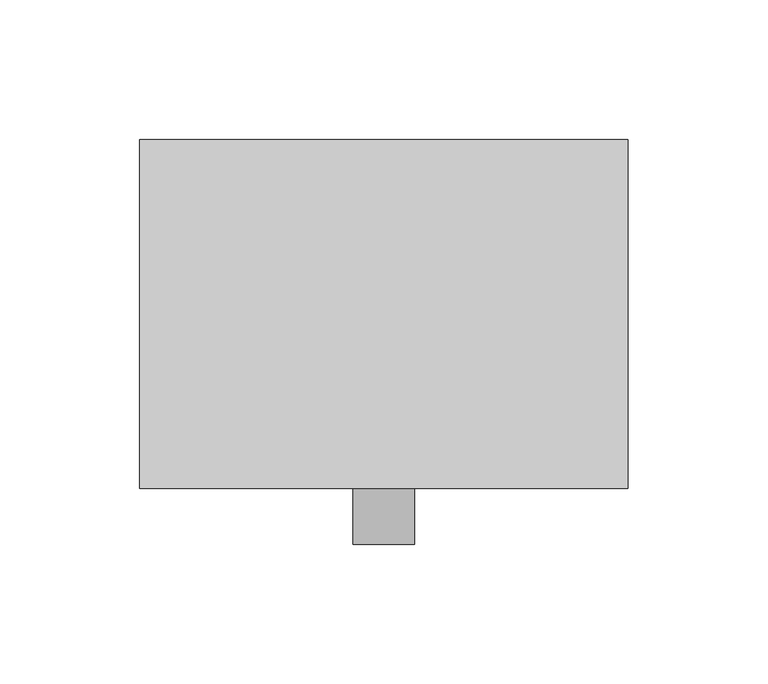
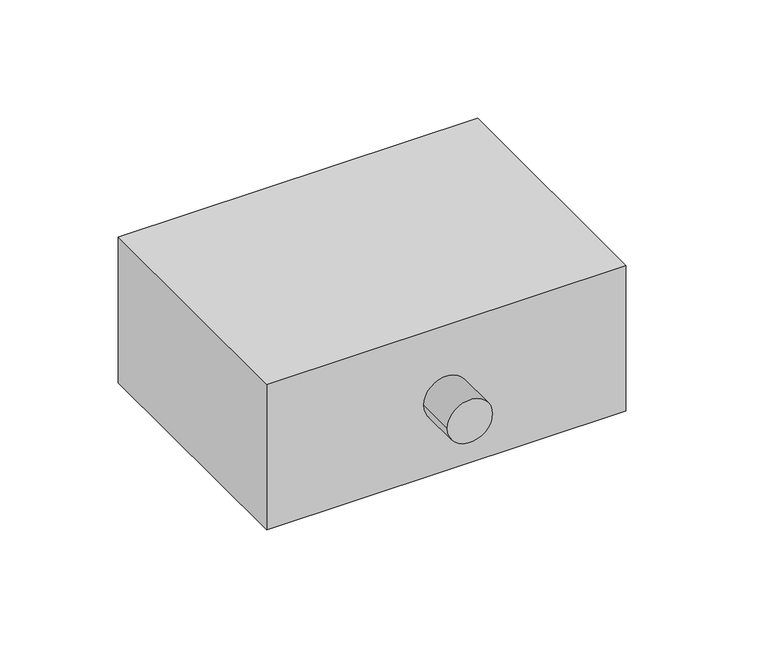
"""IFC4 building model written with IfcOpenShell, lengths in millimetres: proxy geometry."""

from ifc_helpers import new_model, si_unit, frame, origin, place, context, project, spatial, circle_curve, source, transform, mapped, element, save
from ifc_brep_helpers import plane_surface, cylinder_surface, advanced_brep


def communication_devices_49fdbc68(model_context):
    return source(origin(), model_context, "Body", "AdvancedBrep", [
        advanced_brep(
        [(-11.0, -82.5, 37.5), (11.0, -82.5, 37.5), (11.0, -62.5, 37.5), (-11.0, -62.5, 37.5), (87.5, 62.5, 75.0), (-87.5, 62.5, 75.0), (-87.5, -62.5, 75.0), (87.5, -62.5, 75.0), (87.5, 62.5, 0.0), (87.5, -62.5, 0.0), (-87.5, -62.5, 0.0), (-87.5, 62.5, 0.0)],
        [
            (0, 1, circle_curve(frame((0.0, -82.5, 37.5), z_axis=(0.0, -1.0, 0.0), x_axis=(1.0, 0.0, 0.0)), 11.0)),
            (1, 0, circle_curve(frame((0.0, -82.5, 37.5), z_axis=(0.0, -1.0, 0.0), x_axis=(1.0, 0.0, 0.0)), 11.0)),
            (1, 2),
            (2, 3, circle_curve(frame((0.0, -62.5, 37.5), z_axis=(0.0, -1.0, 0.0), x_axis=(1.0, 0.0, 0.0)), 11.0)),
            (3, 0),
            (3, 2, circle_curve(frame((0.0, -62.5, 37.5), z_axis=(0.0, -1.0, 0.0), x_axis=(1.0, 0.0, 0.0)), 11.0)),
            (4, 5),
            (5, 6),
            (6, 7),
            (7, 4),
            (8, 9),
            (9, 10),
            (10, 11),
            (11, 8),
            (4, 8),
            (11, 5),
            (10, 6),
            (9, 7),
        ],
        [
            plane_surface(frame((0.0, -82.5, 37.5), z_axis=(0.0, -1.0, 0.0), x_axis=(0.0, 0.0, 1.0))),
            cylinder_surface(frame((0.0, -62.5, 37.5), z_axis=(0.0, 1.0, 0.0), x_axis=(1.0, 0.0, 0.0)), 11.0),
            plane_surface(frame((-87.5, 62.5, 75.0), z_axis=(0.0, 0.0, 1.0), x_axis=(-1.0, 0.0, 0.0))),
            plane_surface(frame((-87.5, 62.5, 0.0), z_axis=(0.0, 0.0, -1.0), x_axis=(1.0, 0.0, 0.0))),
            plane_surface(frame((87.5, 62.5, 75.0), z_axis=(0.0, 1.0, 0.0), x_axis=(0.0, 0.0, -1.0))),
            plane_surface(frame((-87.5, 62.5, 75.0), z_axis=(-1.0, 0.0, 0.0), x_axis=(0.0, 0.0, -1.0))),
            plane_surface(frame((-87.5, -62.5, 75.0), z_axis=(0.0, -1.0, 0.0), x_axis=(0.0, 0.0, -1.0))),
            plane_surface(frame((87.5, -62.5, 75.0), z_axis=(1.0, 0.0, 0.0), x_axis=(0.0, 0.0, -1.0))),
        ],
        [
            (0, [[1, 2]]),
            (1, [[-2, 3, 4, 5]]),
            (1, [[-1, -5, 6, -3]]),
            (2, [[7, 8, 9, 10]]),
            (3, [[11, 12, 13, 14]]),
            (4, [[-7, 15, -14, 16]]),
            (5, [[-8, -16, -13, 17]]),
            (6, [[-9, -17, -12, 18], [-4, -6]]),
            (7, [[-10, -18, -11, -15]]),
        ],
    ),
    ])


if __name__ == "__main__":
    model = new_model("IFC4")
    model_context = context("Model", 3, world=origin())
    ifc_project = project(units=[si_unit("LENGTHUNIT", "METRE", prefix="MILLI")], contexts=[model_context])
    site = spatial("IfcSite", under=ifc_project)
    building = spatial("IfcBuilding", under=site)
    placement = place(None, origin())
    communication_devices_shape = communication_devices_49fdbc68(model_context)
    element("IfcBuildingElementProxy", 1, Name="Communication Devices", at=placement, inside=building, context=model_context, shape_type="MappedRepresentation", body=[
        mapped(communication_devices_shape, transform((0.0, 0.0, 0.0), x_axis=(1.0, 0.0, 0.0), y_axis=(0.0, 1.0, 0.0), z_axis=(0.0, 0.0, 1.0))),
    ])
    save(model, "model.ifc")
